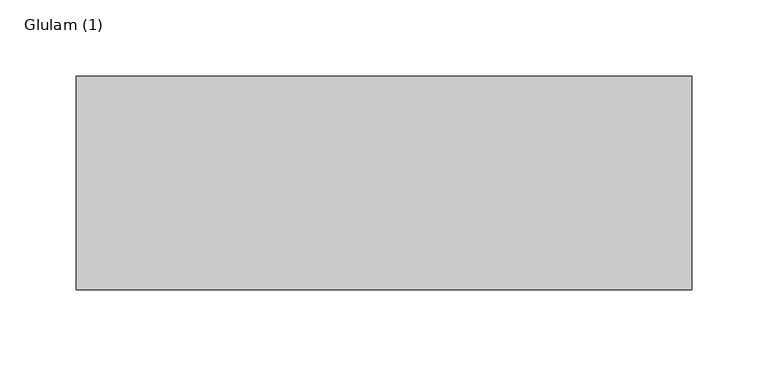
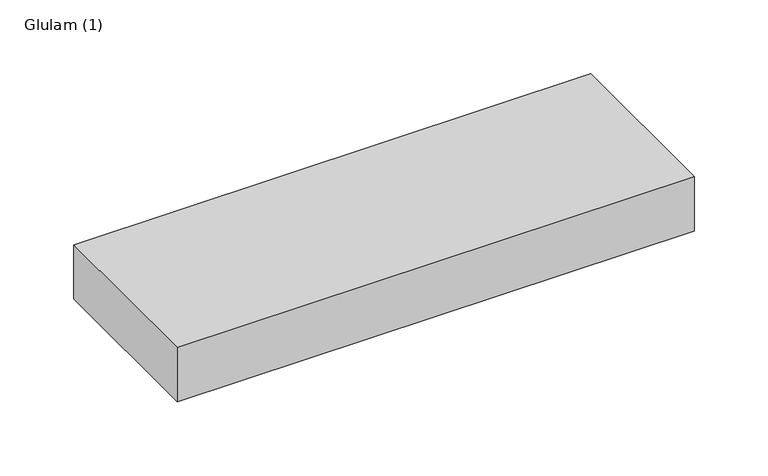
"""IFC4 building model written with IfcOpenShell, lengths in millimetres: beam geometry, Glulam (1)."""

from ifc_helpers import new_model, si_unit, frame, origin, place, context, project, spatial, polyline, outline, extrude, source, transform, mapped, element, save


def glulam_1_8b914dc4(model_context):
    return source(origin(), model_context, "Body", "SweptSolid", [
        extrude(outline(polyline([(202.5, 70.0), (202.5, -70.0), (-201.5, -70.0), (-201.5, 70.0), (202.5, 70.0)])), frame((0.0, 0.0, -22.5), z_axis=(0.0, 0.0, 1.0), x_axis=(1.0, 0.0, 0.0)), (0.0, 0.0, 1.0), 45.0),
    ])


if __name__ == "__main__":
    model = new_model("IFC4")
    model_context = context("Model", 3, world=origin())
    ifc_project = project(units=[si_unit("LENGTHUNIT", "METRE", prefix="MILLI")], contexts=[model_context])
    site = spatial("IfcSite", under=ifc_project)
    building = spatial("IfcBuilding", under=site)
    placement = place(None, origin())
    glulam_1_shape = glulam_1_8b914dc4(model_context)
    element("IfcBeam", 1, ObjectType="Glulam (1)", at=placement, inside=building, context=model_context, shape_type="MappedRepresentation", body=[
        mapped(glulam_1_shape, transform((0.0, 0.0, 0.0), x_axis=(1.0, 0.0, 0.0), y_axis=(0.0, 1.0, 0.0), z_axis=(0.0, 0.0, 1.0))),
    ])
    save(model, "model.ifc")
